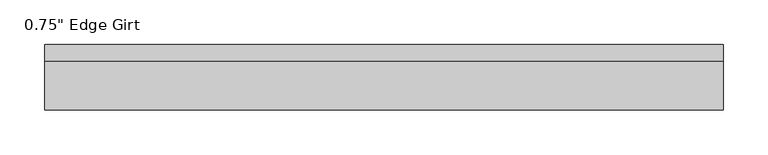
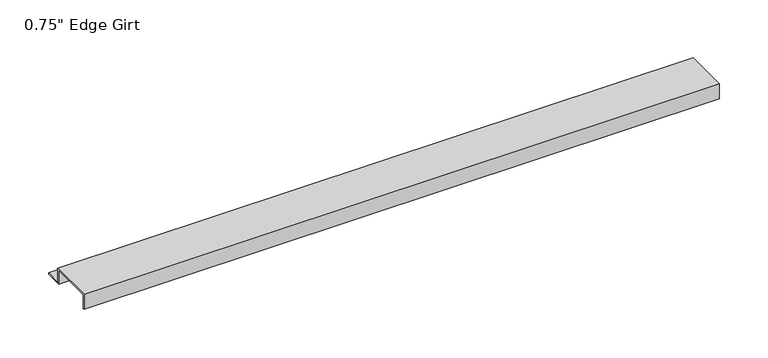
"""IFC4 building model written with IfcOpenShell, lengths in millimetres: proxy geometry."""

from ifc_helpers import new_model, si_unit, frame, origin, place, context, project, spatial, polyline, outline, extrude, source, transform, mapped, element, save


def proxy_a1375809(model_context):
    return source(origin(), model_context, "Body", "SweptSolid", [
        extrude(outline(polyline([(46.0559645, -17.4375), (25.4, -17.4375), (25.4, 0.0), (-25.4, 0.0), (-25.4, -17.4375), (-27.0129, -17.4375), (-27.0129, 1.6129), (27.0129, 1.6129), (27.0129, -15.8242), (46.0559645, -15.8242), (46.0559645, -17.4375)])), frame((0.0, 0.0, 0.0), z_axis=(1.0, 0.0, 0.0), x_axis=(0.0, 1.0, 0.0)), (0.0, 0.0, 1.0), 755.7377291),
    ])


if __name__ == "__main__":
    model = new_model("IFC4")
    model_context = context("Model", 3, world=origin())
    ifc_project = project(units=[si_unit("LENGTHUNIT", "METRE", prefix="MILLI")], contexts=[model_context])
    site = spatial("IfcSite", under=ifc_project)
    building = spatial("IfcBuilding", under=site)
    placement = place(None, origin())
    proxy_shape = proxy_a1375809(model_context)
    element("IfcBuildingElementProxy", 1, Name="0.75\" Edge Girt", ObjectType="0.75\" Edge Girt", at=placement, inside=building, context=model_context, shape_type="MappedRepresentation", body=[
        mapped(proxy_shape, transform((0.0, 0.0, 0.0), x_axis=(1.0, 0.0, 0.0), y_axis=(0.0, 1.0, 0.0), z_axis=(0.0, 0.0, 1.0))),
    ])
    save(model, "model.ifc")
